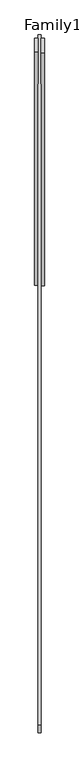
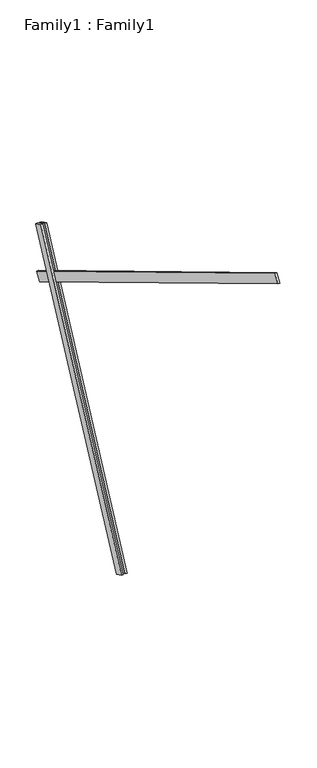
"""IFC4 building model written with IfcOpenShell, lengths in millimetres: proxy geometry, Family1 : Family1."""

from ifc_helpers import new_model, si_unit, frame, origin, place, context, project, spatial, polyline, outline, extrude, source, transform, mapped, element, save


def family1_family1_4550bead(model_context):
    return source(origin(), model_context, "Body", "SweptSolid", [
        extrude(outline(polyline([(0.0, 0.0), (0.0, -20.0), (-100.0000001, -20.0), (-100.0000001, 0.0), (0.0, 0.0)])), frame((-30.0, 46.3241747, -22.5938096), z_axis=(0.0, 0.4383711467890692, 0.8987940462991711), x_axis=(0.0, 0.8987940462991711, -0.4383711467890692)), (0.0, 0.0, 1.0), 3300.0),
        extrude(outline(polyline([(0.0, 0.0), (0.0, -20.0), (-99.9999999, -20.0), (-99.9999999, 0.0), (0.0, 0.0)])), frame((10.0, 45.270232, -22.0797674), z_axis=(0.0, 0.4383711467890692, 0.8987940462991711), x_axis=(0.0, 0.8987940462991711, -0.4383711467890692)), (0.0, 0.0, 1.0), 3300.0),
        extrude(outline(polyline([(0.0, -20.0), (0.0, 0.0), (5000.0, 0.0), (5000.0, -20.0), (0.0, -20.0)])), frame((-10.0, -2825.5096387, 4893.5490145), z_axis=(0.0, 0.515038074910056, 0.8571673007021113), x_axis=(0.0, 0.8571673007021113, -0.515038074910056)), (0.0, 0.0, 1.0), 100.0),
    ])


if __name__ == "__main__":
    model = new_model("IFC4")
    model_context = context("Model", 3, world=origin())
    ifc_project = project(units=[si_unit("LENGTHUNIT", "METRE", prefix="MILLI")], contexts=[model_context])
    site = spatial("IfcSite", under=ifc_project)
    building = spatial("IfcBuilding", under=site)
    placement = place(None, origin())
    family1_family1_shape = family1_family1_4550bead(model_context)
    element("IfcBuildingElementProxy", 1, Name="Family1 : Family1", ObjectType="Family1 : Family1", at=placement, inside=building, context=model_context, shape_type="MappedRepresentation", body=[
        mapped(family1_family1_shape, transform((0.0, 0.0, 0.0), x_axis=(1.0, 0.0, 0.0), y_axis=(0.0, 1.0, 0.0), z_axis=(0.0, 0.0, 1.0))),
    ])
    save(model, "model.ifc")
